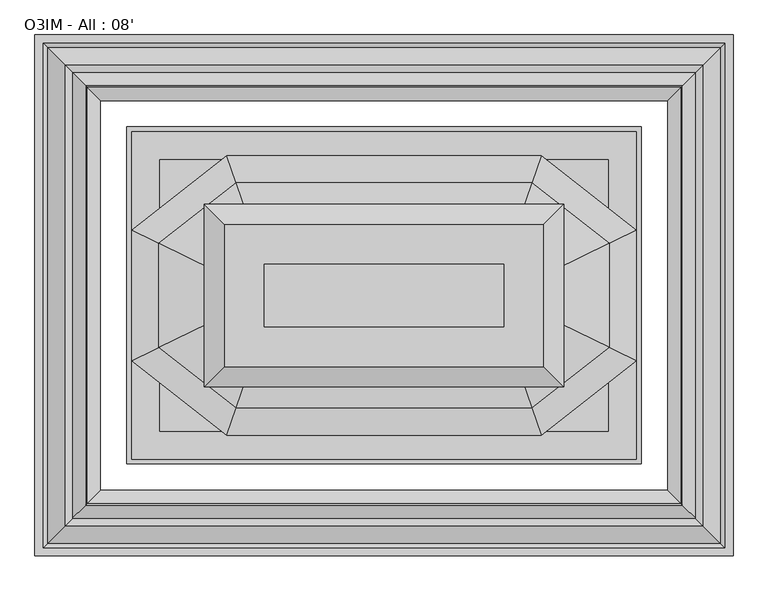
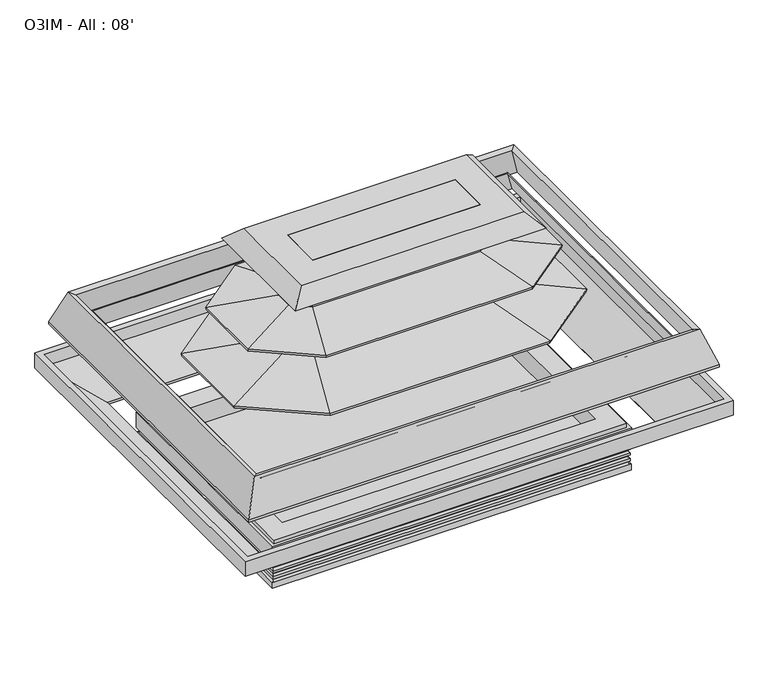
"""IFC4 building model written with IfcOpenShell, lengths in millimetres: proxy geometry, O3IM - All : 08'."""

from ifc_helpers import new_model, si_unit, point, frame, frame_2d, origin, origin_with_axes, place, context, project, spatial, polyline, circle_curve, ellipse_curve, trimmed, segment, composite_curve, outline, extrude, faceted_brep, source, transform, mapped, element, save
from ifc_brep_helpers import plane_surface, cylinder_surface, revolved_surface, advanced_brep


def o3im_all_08_cdb1ff95(model_context):
    return source(origin(), model_context, "Body", "SolidModel", [
        faceted_brep([(1875.484755, -1027.5894956, 788.1618652), (1781.9369938, -1299.2719211, 797.0848621), (897.3572661, -1299.2719211, 797.0848621), (803.8095049, -1027.5894956, 788.1618652), (1875.8644333, -1026.4868297, 794.4153945), (803.4298266, -1026.4868297, 794.4153945), (1918.9389963, -901.3892154, 772.3573098), (760.3552636, -901.3892154, 772.3573098), (1919.7458127, -899.0460503, 785.6460595), (759.5484472, -899.0460503, 785.6460595), (1781.9369938, -1299.2719211, 856.2166789), (897.3572661, -1299.2719211, 856.2166789), (536.7748406, -1236.2198407, 788.1618652), (808.4572661, -1368.7282133, 797.0848621), (808.4572661, -1459.9396289, 797.0848621), (536.7748406, -1592.4480016, 788.1618652), (535.6721746, -1235.6820346, 794.4153945), (535.6721746, -1592.9858077, 794.4153945), (410.5745603, -1174.6678513, 772.3573098), (410.5745603, -1653.9999909, 772.3573098), (408.2313952, -1173.5250133, 785.6460595), (408.2313952, -1655.1428289, 785.6460595), (808.4572661, -1368.7282133, 856.2166789), (808.4572661, -1459.9396289, 856.2166789), (803.8095049, -1801.0783466, 788.1618652), (897.3572661, -1529.3959211, 797.0848621), (1781.9369938, -1529.3959211, 797.0848621), (1875.484755, -1801.0783466, 788.1618652), (803.4298266, -1802.1810126, 794.4153945), (1875.8644333, -1802.1810126, 794.4153945), (760.3552636, -1927.2786269, 772.3573098), (1918.9389963, -1927.2786269, 772.3573098), (759.5484472, -1929.621792, 785.6460595), (1919.7458127, -1929.621792, 785.6460595), (897.3572661, -1529.3959211, 856.2166789), (1781.9369938, -1529.3959211, 856.2166789), (1870.8369938, -1459.9396289, 797.0848621), (2142.5194193, -1592.4480016, 788.1618652), (2143.6220853, -1592.9858077, 794.4153945), (2268.7196996, -1653.9999909, 772.3573098), (2271.0628647, -1655.1428289, 785.6460595), (1870.8369938, -1459.9396289, 856.2166789), (1870.8369938, -1368.7282133, 797.0848621), (2142.5194193, -1236.2198407, 788.1618652), (2143.6220853, -1235.6820346, 794.4153945), (2268.7196996, -1174.6678513, 772.3573098), (2271.0628647, -1173.5250133, 785.6460595), (1870.8369938, -1368.7282133, 856.2166789)], [[[0, 1, 2, 3]], [[4, 0, 3, 5]], [[6, 4, 5, 7]], [[8, 6, 7, 9]], [[10, 8, 9, 11]], [[1, 10, 11, 2]], [[12, 13, 14, 15]], [[16, 12, 15, 17]], [[18, 16, 17, 19]], [[20, 18, 19, 21]], [[22, 20, 21, 23]], [[13, 22, 23, 14]], [[24, 25, 26, 27]], [[28, 24, 27, 29]], [[30, 28, 29, 31]], [[32, 30, 31, 33]], [[34, 32, 33, 35]], [[25, 34, 35, 26]], [[3, 2, 13, 12]], [[5, 3, 12, 16]], [[7, 5, 16, 18]], [[9, 7, 18, 20]], [[11, 9, 20, 22]], [[2, 11, 22, 13]], [[15, 14, 25, 24]], [[17, 15, 24, 28]], [[19, 17, 28, 30]], [[21, 19, 30, 32]], [[23, 21, 32, 34]], [[14, 23, 34, 25]], [[27, 26, 36, 37]], [[29, 27, 37, 38]], [[31, 29, 38, 39]], [[33, 31, 39, 40]], [[35, 33, 40, 41]], [[26, 35, 41, 36]], [[37, 36, 42, 43]], [[38, 37, 43, 44]], [[39, 38, 44, 45]], [[40, 39, 45, 46]], [[41, 40, 46, 47]], [[36, 41, 47, 42]], [[43, 42, 1, 0]], [[44, 43, 0, 4]], [[45, 44, 4, 6]], [[46, 45, 6, 8]], [[47, 46, 8, 10]], [[42, 47, 10, 1]]]),
        extrude(outline(composite_curve([segment(trimmed(circle_curve(frame_2d((2028.03125, -1313.8632439)), 12.7), [point((2015.33125, -1313.8632439))], [point((2040.73125, -1313.8632439))], False, "CARTESIAN"), True, "CONTINUOUS"), segment(trimmed(circle_curve(frame_2d((2028.03125, -1313.8632439)), 12.7), [point((2040.73125, -1313.8632439))], [point((2015.33125, -1313.8632439))], False, "CARTESIAN"), True, "CONTINUOUS")], self_intersect=False)), origin_with_axes(), (0.0, 0.0, 1.0), 101.6),
        extrude(outline(composite_curve([segment(trimmed(circle_curve(frame_2d((2028.03125, -1369.8367134)), 9.525), [point((2018.50625, -1369.8367134))], [point((2037.55625, -1369.8367134))], False, "CARTESIAN"), True, "CONTINUOUS"), segment(trimmed(circle_curve(frame_2d((2028.03125, -1369.8367134)), 9.525), [point((2037.55625, -1369.8367134))], [point((2018.50625, -1369.8367134))], False, "CARTESIAN"), True, "CONTINUOUS")], self_intersect=False)), origin_with_axes(), (0.0, 0.0, 1.0), 101.6),
        extrude(outline(composite_curve([segment(trimmed(circle_curve(frame_2d((1339.85, -996.2223778)), 38.1), [point((1301.75, -996.2223778))], [point((1377.95, -996.2223778))], False, "CARTESIAN"), True, "CONTINUOUS"), segment(trimmed(circle_curve(frame_2d((1339.85, -996.2223778)), 38.1), [point((1377.95, -996.2223778))], [point((1301.75, -996.2223778))], False, "CARTESIAN"), True, "CONTINUOUS")], self_intersect=False)), origin_with_axes(), (0.0, 0.0, 1.0), 101.6),
        extrude(outline(composite_curve([segment(trimmed(circle_curve(frame_2d((1339.85, -1833.7510429)), 38.1), [point((1377.95, -1833.7510429))], [point((1301.75, -1833.7510429))], False, "CARTESIAN"), True, "CONTINUOUS"), segment(trimmed(circle_curve(frame_2d((1339.85, -1833.7510429)), 38.1), [point((1301.75, -1833.7510429))], [point((1377.95, -1833.7510429))], False, "CARTESIAN"), True, "CONTINUOUS")], self_intersect=False)), origin_with_axes(), (0.0, 0.0, 1.0), 101.6),
        extrude(outline(polyline([(920.5432283, -1535.8952268), (1053.8932283, -1535.8952268), (1053.8932283, -1605.7452268), (920.5432283, -1605.7452268), (920.5432283, -1535.8952268)])), frame((0.0, 0.0, 8.2791794), z_axis=(0.0, 0.0, 1.0), x_axis=(1.0, 0.0, 0.0)), (0.0, 0.0, 1.0), 6.35),
        advanced_brep(
        [(2262.0053221, -819.2036052, 146.05), (417.6946779, -819.2036052, 146.05), (417.6946779, -2009.4642494, 146.05), (2262.0053221, -2009.4642494, 146.05), (2262.0053221, -819.2036052, 14.6291794), (2262.0053221, -2009.4642494, 14.6291794), (417.6946779, -2009.4642494, 14.6291794), (417.6946779, -819.2036052, 14.6291794), (1289.05, -996.2223778, 14.6291794), (1390.65, -996.2223778, 14.6291794), (1289.05, -1833.7510429, 14.6291794), (1390.65, -1833.7510429, 14.6291794), (1977.23125, -1338.1832677, 14.6291794), (2078.83125, -1338.1832677, 14.6291794), (1289.05, -996.2223778, 101.6), (1390.65, -996.2223778, 101.6), (1289.05, -1833.7510429, 101.6), (1390.65, -1833.7510429, 101.6), (1977.23125, -1338.1832677, 101.6), (2078.83125, -1338.1832677, 101.6)],
        [
            (0, 1),
            (1, 2),
            (2, 3),
            (3, 0),
            (4, 5),
            (5, 6),
            (6, 7),
            (7, 4),
            (8, 9, circle_curve(frame((1339.85, -996.2223778, 14.6291794), z_axis=(0.0, 0.0, 1.0), x_axis=(1.0, 0.0, 0.0)), 50.8)),
            (9, 8, circle_curve(frame((1339.85, -996.2223778, 14.6291794), z_axis=(0.0, 0.0, 1.0), x_axis=(1.0, 0.0, 0.0)), 50.8)),
            (10, 11, circle_curve(frame((1339.85, -1833.7510429, 14.6291794), z_axis=(0.0, 0.0, 1.0), x_axis=(1.0, 0.0, 0.0)), 50.8)),
            (11, 10, circle_curve(frame((1339.85, -1833.7510429, 14.6291794), z_axis=(0.0, 0.0, 1.0), x_axis=(1.0, 0.0, 0.0)), 50.8)),
            (12, 13, circle_curve(frame((2028.03125, -1338.1832677, 14.6291794), z_axis=(0.0, 0.0, 1.0), x_axis=(1.0, 0.0, 0.0)), 50.8)),
            (13, 12, circle_curve(frame((2028.03125, -1338.1832677, 14.6291794), z_axis=(0.0, 0.0, 1.0), x_axis=(1.0, 0.0, 0.0)), 50.8)),
            (0, 4),
            (7, 1),
            (6, 2),
            (5, 3),
            (14, 15, circle_curve(frame((1339.85, -996.2223778, 101.6), z_axis=(0.0, 0.0, -1.0), x_axis=(1.0, 0.0, 0.0)), 50.8)),
            (15, 14, circle_curve(frame((1339.85, -996.2223778, 101.6), z_axis=(0.0, 0.0, -1.0), x_axis=(1.0, 0.0, 0.0)), 50.8)),
            (16, 17, circle_curve(frame((1339.85, -1833.7510429, 101.6), z_axis=(0.0, 0.0, -1.0), x_axis=(1.0, 0.0, 0.0)), 50.8)),
            (17, 16, circle_curve(frame((1339.85, -1833.7510429, 101.6), z_axis=(0.0, 0.0, -1.0), x_axis=(1.0, 0.0, 0.0)), 50.8)),
            (15, 9),
            (8, 14),
            (17, 11),
            (10, 16),
            (18, 19, circle_curve(frame((2028.03125, -1338.1832677, 101.6), z_axis=(0.0, 0.0, -1.0), x_axis=(1.0, 0.0, 0.0)), 50.8)),
            (19, 18, circle_curve(frame((2028.03125, -1338.1832677, 101.6), z_axis=(0.0, 0.0, -1.0), x_axis=(1.0, 0.0, 0.0)), 50.8)),
            (19, 13),
            (12, 18),
        ],
        [
            plane_surface(frame((417.6946779, -819.2036052, 146.05), z_axis=(0.0, 0.0, 1.0), x_axis=(-1.0, 0.0, 0.0))),
            plane_surface(frame((417.6946779, -819.2036052, 14.6291794), z_axis=(0.0, 0.0, -1.0), x_axis=(1.0, 0.0, 0.0))),
            plane_surface(frame((2262.0053221, -819.2036052, 146.05), z_axis=(0.0, 1.0, 0.0), x_axis=(0.0, 0.0, -1.0))),
            plane_surface(frame((417.6946779, -819.2036052, 146.05), z_axis=(-1.0, 0.0, 0.0), x_axis=(0.0, 0.0, -1.0))),
            plane_surface(frame((417.6946779, -2009.4642494, 146.05), z_axis=(0.0, -1.0, 0.0), x_axis=(0.0, 0.0, -1.0))),
            plane_surface(frame((2262.0053221, -2009.4642494, 146.05), z_axis=(1.0, 0.0, 0.0), x_axis=(0.0, 0.0, -1.0))),
            plane_surface(frame((1390.65, -996.2223778, 101.6), z_axis=(0.0, 0.0, -1.0), x_axis=(0.0, 1.0, 0.0))),
            revolved_surface(polyline([(1390.6499999999999, -996.2223778, 101.6), (1390.6499999999999, -996.2223778, 14.6291794)]), (1339.85, -996.2223778, 0.0), (0.0, 0.0, 1.0)),
            revolved_surface(polyline([(1390.6499999999999, -1833.7510429, 101.6), (1390.6499999999999, -1833.7510429, 14.6291794)]), (1339.85, -1833.7510429, 0.0), (0.0, 0.0, 1.0)),
            plane_surface(frame((2078.83125, -1338.1832677, 101.6), z_axis=(0.0, 0.0, -1.0), x_axis=(0.0, 1.0, 0.0))),
            revolved_surface(polyline([(2078.83125, -1338.1832677, 101.6), (2078.83125, -1338.1832677, 14.6291794)]), (2028.03125, -1338.1832677, 0.0), (0.0, 0.0, 1.0)),
        ],
        [
            (0, [[1, 2, 3, 4]]),
            (1, [[5, 6, 7, 8], [9, 10], [11, 12], [13, 14]]),
            (2, [[-1, 15, -8, 16]]),
            (3, [[-2, -16, -7, 17]]),
            (4, [[-3, -17, -6, 18]]),
            (5, [[-4, -18, -5, -15]]),
            (6, [[19, 20]]),
            (6, [[21, 22]]),
            (7, [[-20, 23, -9, 24]]),
            (7, [[-19, -24, -10, -23]]),
            (8, [[-22, 25, -11, 26]]),
            (8, [[-21, -26, -12, -25]]),
            (9, [[27, 28]]),
            (10, [[-28, 29, -13, 30]]),
            (10, [[-27, -30, -14, -29]]),
        ],
    ),
        advanced_brep(
        [(407.5864212, -2019.5725061, 52.2515752), (404.0973241, -2023.0616032, 41.0863151), (2275.6026759, -2023.0616032, 41.0863151), (2272.1135788, -2019.5725061, 52.2515752), (2282.7507741, -2030.2097014, 50.0937524), (396.9492259, -2030.2097014, 50.0937524), (394.9553259, -2032.2036014, 62.7937524), (394.9553259, -2032.2036014, 50.0937524), (2284.7446741, -2032.2036014, 50.0937524), (2284.7446741, -2032.2036014, 62.7937524), (2275.6026759, -2023.0616032, 72.0584982), (404.0973241, -2023.0616032, 72.0584982), (2272.1135788, -2019.5725061, 83.2237583), (407.5864212, -2019.5725061, 83.2237583), (2282.7507741, -2030.2097014, 81.0659355), (396.9492259, -2030.2097014, 81.0659355), (394.9553259, -2032.2036014, 93.7659355), (394.9553259, -2032.2036014, 81.0659355), (2284.7446741, -2032.2036014, 81.0659355), (2284.7446741, -2032.2036014, 93.7659355), (2275.6026759, -2023.0616032, 103.0306813), (404.0973241, -2023.0616032, 103.0306813), (2272.1135788, -2019.5725061, 114.0694894), (407.5864212, -2019.5725061, 114.0694894), (2282.7507741, -2030.2097014, 112.0383055), (396.9492259, -2030.2097014, 112.0383055), (394.9553259, -2032.2036014, 124.7383055), (394.9553259, -2032.2036014, 112.0383055), (2284.7446741, -2032.2036014, 112.0383055), (2284.7446741, -2032.2036014, 124.7383055), (2272.1135788, -2019.5725061, 137.4381186), (407.5864212, -2019.5725061, 137.4381186), (2272.1135788, -2019.5725061, 146.05), (407.5864212, -2019.5725061, 146.05), (417.6946779, -2009.4642494, 0.0), (417.6946779, -2009.4642494, 146.05), (2262.0053221, -2009.4642494, 146.05), (2262.0053221, -2009.4642494, 0.0), (392.0670212, -2035.0919061, 31.4790022), (392.0670212, -2035.0919061, 0.0), (2287.6329788, -2035.0919061, 0.0), (2287.6329788, -2035.0919061, 31.4790022), (2275.6026759, -805.6062514, 41.0863151), (2272.1135788, -809.0953485, 52.2515752), (2282.7507741, -798.4581532, 50.0937524), (2284.7446741, -796.4642532, 50.0937524), (2284.7446741, -796.4642532, 62.7937524), (2275.6026759, -805.6062514, 72.0584982), (2272.1135788, -809.0953485, 83.2237583), (2282.7507741, -798.4581532, 81.0659355), (2284.7446741, -796.4642532, 81.0659355), (2284.7446741, -796.4642532, 93.7659355), (2275.6026759, -805.6062514, 103.0306813), (2272.1135788, -809.0953485, 114.0694894), (2282.7507741, -798.4581532, 112.0383055), (2284.7446741, -796.4642532, 112.0383055), (2284.7446741, -796.4642532, 124.7383055), (2272.1135788, -809.0953485, 137.4381186), (2272.1135788, -809.0953485, 146.05), (2262.0053221, -819.2036052, 146.05), (2262.0053221, -819.2036052, 0.0), (2287.6329788, -793.5759485, 0.0), (2287.6329788, -793.5759485, 31.4790022), (404.0973241, -805.6062514, 41.0863151), (407.5864212, -809.0953485, 52.2515752), (396.9492259, -798.4581532, 50.0937524), (394.9553259, -796.4642532, 50.0937524), (394.9553259, -796.4642532, 62.7937524), (404.0973241, -805.6062514, 72.0584982), (407.5864212, -809.0953485, 83.2237583), (396.9492259, -798.4581532, 81.0659355), (394.9553259, -796.4642532, 81.0659355), (394.9553259, -796.4642532, 93.7659355), (404.0973241, -805.6062514, 103.0306813), (407.5864212, -809.0953485, 114.0694894), (396.9492259, -798.4581532, 112.0383055), (394.9553259, -796.4642532, 112.0383055), (394.9553259, -796.4642532, 124.7383055), (407.5864212, -809.0953485, 137.4381186), (407.5864212, -809.0953485, 146.05), (417.6946779, -819.2036052, 146.05), (417.6946779, -819.2036052, 0.0), (392.0670212, -793.5759485, 0.0), (392.0670212, -793.5759485, 31.4790022)],
        [
            (0, 1),
            (1, 2),
            (2, 3),
            (3, 0),
            (3, 4),
            (4, 5),
            (5, 0),
            (6, 7),
            (7, 8),
            (8, 9),
            (9, 6),
            (9, 10, ellipse_curve(frame((2287.9365131, -2035.3954404, 75.0861144), z_axis=(0.7071067811865475, 0.7071067811865475, 0.0), x_axis=(0.7071067811865476, -0.7071067811865474, 0.0)), 17.9605122, 12.7)),
            (10, 11),
            (11, 6, ellipse_curve(frame((391.7634869, -2035.3954404, 75.0861144), z_axis=(-0.7071067811865475, 0.7071067811865475, 0.0), x_axis=(0.7071067811865476, 0.7071067811865474, 0.0)), 17.9605122, 12.7)),
            (10, 12),
            (12, 13),
            (13, 11),
            (12, 14),
            (14, 15),
            (15, 13),
            (16, 17),
            (17, 18),
            (18, 19),
            (19, 16),
            (19, 20, ellipse_curve(frame((2287.9365131, -2035.3954404, 106.0582975), z_axis=(0.7071067811865475, 0.7071067811865475, 0.0), x_axis=(0.7071067811865476, -0.7071067811865474, 0.0)), 17.9605122, 12.7)),
            (20, 21),
            (21, 16, ellipse_curve(frame((391.7634869, -2035.3954404, 106.0582975), z_axis=(-0.7071067811865475, 0.7071067811865475, 0.0), x_axis=(0.7071067811865476, 0.7071067811865474, 0.0)), 17.9605122, 12.7)),
            (20, 22),
            (22, 23),
            (23, 21),
            (22, 24),
            (24, 25),
            (25, 23),
            (26, 27),
            (27, 28),
            (28, 29),
            (29, 26),
            (29, 30, ellipse_curve(frame((2284.8135788, -2032.2725061, 137.4381186), z_axis=(0.7071067811865475, 0.7071067811865475, 0.0), x_axis=(0.7071067811865476, -0.7071067811865474, 0.0)), 17.9605122, 12.7)),
            (30, 31),
            (31, 26, ellipse_curve(frame((394.8864212, -2032.2725061, 137.4381186), z_axis=(-0.7071067811865475, 0.7071067811865475, 0.0), x_axis=(0.7071067811865476, 0.7071067811865474, 0.0)), 17.9605122, 12.7)),
            (30, 32),
            (32, 33),
            (33, 31),
            (34, 35),
            (35, 36),
            (36, 37),
            (37, 34),
            (38, 39),
            (39, 40),
            (40, 41),
            (41, 38),
            (1, 38, ellipse_curve(frame((393.1207685, -2034.0381588, 42.4953422), z_axis=(-0.7071067811865475, 0.7071067811865475, 0.0), x_axis=(0.7071067811865476, 0.7071067811865474, 0.0)), 15.6505674, 11.0666223)),
            (41, 2, ellipse_curve(frame((2286.5792315, -2034.0381588, 42.4953422), z_axis=(0.7071067811865475, 0.7071067811865475, 0.0), x_axis=(0.7071067811865476, -0.7071067811865474, 0.0)), 15.6505674, 11.0666223)),
            (2, 42),
            (42, 43),
            (43, 3),
            (43, 44),
            (44, 4),
            (8, 45),
            (45, 46),
            (46, 9),
            (46, 47, ellipse_curve(frame((2287.9365131, -793.2724142, 75.0861144), z_axis=(-0.7071067811865475, 0.7071067811865475, 0.0), x_axis=(0.7071067811865474, 0.7071067811865476, 0.0)), 17.9605122, 12.7)),
            (47, 10),
            (47, 48),
            (48, 12),
            (48, 49),
            (49, 14),
            (18, 50),
            (50, 51),
            (51, 19),
            (51, 52, ellipse_curve(frame((2287.9365131, -793.2724142, 106.0582975), z_axis=(-0.7071067811865475, 0.7071067811865475, 0.0), x_axis=(0.7071067811865474, 0.7071067811865476, 0.0)), 17.9605122, 12.7)),
            (52, 20),
            (52, 53),
            (53, 22),
            (53, 54),
            (54, 24),
            (28, 55),
            (55, 56),
            (56, 29),
            (56, 57, ellipse_curve(frame((2284.8135788, -796.3953485, 137.4381186), z_axis=(-0.7071067811865475, 0.7071067811865475, 0.0), x_axis=(0.7071067811865474, 0.7071067811865476, 0.0)), 17.9605122, 12.7)),
            (57, 30),
            (57, 58),
            (58, 32),
            (36, 59),
            (59, 60),
            (60, 37),
            (40, 61),
            (61, 62),
            (62, 41),
            (62, 42, ellipse_curve(frame((2286.5792315, -794.6296958, 42.4953422), z_axis=(-0.7071067811865475, 0.7071067811865475, 0.0), x_axis=(0.7071067811865474, 0.7071067811865476, 0.0)), 15.6505674, 11.0666223)),
            (42, 63),
            (63, 64),
            (64, 43),
            (64, 65),
            (65, 44),
            (45, 66),
            (66, 67),
            (67, 46),
            (67, 68, ellipse_curve(frame((391.7634869, -793.2724142, 75.0861144), z_axis=(-0.7071067811865475, -0.7071067811865475, 0.0), x_axis=(-0.7071067811865476, 0.7071067811865474, 0.0)), 17.9605122, 12.7)),
            (68, 47),
            (68, 69),
            (69, 48),
            (69, 70),
            (70, 49),
            (50, 71),
            (71, 72),
            (72, 51),
            (72, 73, ellipse_curve(frame((391.7634869, -793.2724142, 106.0582975), z_axis=(-0.7071067811865475, -0.7071067811865475, 0.0), x_axis=(-0.7071067811865476, 0.7071067811865474, 0.0)), 17.9605122, 12.7)),
            (73, 52),
            (73, 74),
            (74, 53),
            (74, 75),
            (75, 54),
            (55, 76),
            (76, 77),
            (77, 56),
            (77, 78, ellipse_curve(frame((394.8864212, -796.3953485, 137.4381186), z_axis=(-0.7071067811865475, -0.7071067811865475, 0.0), x_axis=(-0.7071067811865476, 0.7071067811865474, 0.0)), 17.9605122, 12.7)),
            (78, 57),
            (78, 79),
            (79, 58),
            (59, 80),
            (80, 81),
            (81, 60),
            (61, 82),
            (82, 83),
            (83, 62),
            (83, 63, ellipse_curve(frame((393.1207685, -794.6296958, 42.4953422), z_axis=(-0.7071067811865475, -0.7071067811865475, 0.0), x_axis=(-0.7071067811865476, 0.7071067811865474, 0.0)), 15.6505674, 11.0666223)),
            (0, 64),
            (63, 1),
            (5, 65),
            (7, 66),
            (6, 67),
            (11, 68),
            (13, 69),
            (15, 70),
            (17, 71),
            (16, 72),
            (21, 73),
            (23, 74),
            (25, 75),
            (27, 76),
            (26, 77),
            (31, 78),
            (33, 79),
            (35, 80),
            (34, 81),
            (39, 82),
            (38, 83),
        ],
        [
            plane_surface(frame((404.0973241, -2023.0616032, 41.0863151), z_axis=(0.0, -0.9544811145040373, 0.2982713564107874), x_axis=(1.0, 0.0, 0.0))),
            plane_surface(frame((407.5864212, -2019.5725061, 52.2515752), z_axis=(0.0, 0.19880707887698196, -0.9800386448443763), x_axis=(1.0, 0.0, 0.0))),
            plane_surface(frame((394.9553259, -2032.2036014, 50.0937524), z_axis=(0.0, -1.0, 0.0), x_axis=(1.0, 0.0, 0.0))),
            revolved_surface(polyline([(2300.636513070204, -2022.6954404, 75.0861144), (379.0634869297963, -2022.6954404, 75.0861144)]), (0.0, -2035.3954404, 75.0861144), (1.0, 0.0, 0.0)),
            plane_surface(frame((404.0973241, -2023.0616032, 72.0584982), z_axis=(0.0, -0.9544811145041052, 0.2982713564105698), x_axis=(1.0, 0.0, 0.0))),
            plane_surface(frame((407.5864212, -2019.5725061, 83.2237583), z_axis=(0.0, 0.1988070788769928, -0.9800386448443741), x_axis=(1.0, 0.0, 0.0))),
            plane_surface(frame((394.9553259, -2032.2036014, 81.0659355), z_axis=(0.0, -1.0, 0.0), x_axis=(1.0, 0.0, 0.0))),
            revolved_surface(polyline([(2300.636513070204, -2022.6954404, 106.0582975), (379.0634869297963, -2022.6954404, 106.0582975)]), (0.0, -2035.3954404, 106.0582975), (1.0, 0.0, 0.0)),
            plane_surface(frame((404.0973241, -2023.0616032, 103.0306813), z_axis=(0.0, -0.9535043111328932, 0.30137937661855163), x_axis=(1.0, 0.0, 0.0))),
            plane_surface(frame((407.5864212, -2019.5725061, 114.0694894), z_axis=(0.0, 0.1875622155180167, -0.9822527247658686), x_axis=(1.0, 0.0, 0.0))),
            plane_surface(frame((394.9553259, -2032.2036014, 112.0383055), z_axis=(0.0, -1.0, 0.0), x_axis=(1.0, 0.0, 0.0))),
            revolved_surface(polyline([(2297.513578770204, -2019.5725061, 137.4381186), (382.1864212297963, -2019.5725061, 137.4381186)]), (0.0, -2032.2725061, 137.4381186), (1.0, 0.0, 0.0)),
            plane_surface(frame((407.5864212, -2019.5725061, 137.4381186), z_axis=(0.0, -1.0, 0.0), x_axis=(1.0, 0.0, 0.0))),
            plane_surface(frame((417.6946779, -2009.4642494, 146.05), z_axis=(0.0, 1.0, 0.0), x_axis=(1.0, 0.0, 0.0))),
            plane_surface(frame((392.0670212, -2035.0919061, 0.0), z_axis=(0.0, -1.0, 0.0), x_axis=(1.0, 0.0, 0.0))),
            revolved_surface(polyline([(2297.645853837957, -2022.9715365, 42.4953422), (382.05414616204285, -2022.9715365, 42.4953422)]), (0.0, -2034.0381588, 42.4953422), (1.0, 0.0, 0.0)),
            plane_surface(frame((2275.6026759, -2023.0616032, 41.0863151), z_axis=(0.9544811145040373, 0.0, 0.2982713564107874), x_axis=(0.0, 1.0, 0.0))),
            plane_surface(frame((2272.1135788, -2019.5725061, 52.2515752), z_axis=(-0.19880707887698196, 0.0, -0.9800386448443763), x_axis=(0.0, 1.0, 0.0))),
            plane_surface(frame((2284.7446741, -2032.2036014, 50.0937524), z_axis=(1.0, 0.0, 0.0), x_axis=(0.0, 1.0, 0.0))),
            revolved_surface(polyline([(2275.2365131, -780.5724142297963, 75.0861144), (2275.2365131, -2048.095440370204, 75.0861144)]), (2287.9365131, -2427.1589273, 75.0861144), (0.0, 1.0, 0.0)),
            plane_surface(frame((2275.6026759, -2023.0616032, 72.0584982), z_axis=(0.9544811145041052, 0.0, 0.2982713564105698), x_axis=(0.0, 1.0, 0.0))),
            plane_surface(frame((2272.1135788, -2019.5725061, 83.2237583), z_axis=(-0.1988070788769928, 0.0, -0.9800386448443741), x_axis=(0.0, 1.0, 0.0))),
            plane_surface(frame((2284.7446741, -2032.2036014, 81.0659355), z_axis=(1.0, 0.0, 0.0), x_axis=(0.0, 1.0, 0.0))),
            revolved_surface(polyline([(2275.2365131, -780.5724142297963, 106.0582975), (2275.2365131, -2048.095440370204, 106.0582975)]), (2287.9365131, -2427.1589273, 106.0582975), (0.0, 1.0, 0.0)),
            plane_surface(frame((2275.6026759, -2023.0616032, 103.0306813), z_axis=(0.9535043111328932, 0.0, 0.30137937661855163), x_axis=(0.0, 1.0, 0.0))),
            plane_surface(frame((2272.1135788, -2019.5725061, 114.0694894), z_axis=(-0.1875622155180167, 0.0, -0.9822527247658686), x_axis=(0.0, 1.0, 0.0))),
            plane_surface(frame((2284.7446741, -2032.2036014, 112.0383055), z_axis=(1.0, 0.0, 0.0), x_axis=(0.0, 1.0, 0.0))),
            revolved_surface(polyline([(2272.1135788, -783.6953485297963, 137.4381186), (2272.1135788, -2044.9725060702037, 137.4381186)]), (2284.8135788, -2427.1589273, 137.4381186), (0.0, 1.0, 0.0)),
            plane_surface(frame((2272.1135788, -2019.5725061, 137.4381186), z_axis=(1.0, 0.0, 0.0), x_axis=(0.0, 1.0, 0.0))),
            plane_surface(frame((2262.0053221, -2009.4642494, 146.05), z_axis=(-1.0, 0.0, 0.0), x_axis=(0.0, 1.0, 0.0))),
            plane_surface(frame((2287.6329788, -2035.0919061, 0.0), z_axis=(1.0, 0.0, 0.0), x_axis=(0.0, 1.0, 0.0))),
            revolved_surface(polyline([(2275.5126092, -783.5630734620429, 42.4953422), (2275.5126092, -2045.1047811379572, 42.4953422)]), (2286.5792315, -2427.1589273, 42.4953422), (0.0, 1.0, 0.0)),
            plane_surface(frame((2275.6026759, -805.6062514, 41.0863151), z_axis=(0.0, 0.9544811145040373, 0.2982713564107874), x_axis=(-1.0, 0.0, 0.0))),
            plane_surface(frame((2272.1135788, -809.0953485, 52.2515752), z_axis=(0.0, -0.19880707887698196, -0.9800386448443763), x_axis=(-1.0, 0.0, 0.0))),
            plane_surface(frame((2284.7446741, -796.4642532, 50.0937524), z_axis=(0.0, 1.0, 0.0), x_axis=(-1.0, 0.0, 0.0))),
            revolved_surface(polyline([(379.063486929796, -805.9724142, 75.0861144), (2300.636513070204, -805.9724142, 75.0861144)]), (2679.7, -793.2724142, 75.0861144), (-1.0, 0.0, 0.0)),
            plane_surface(frame((2275.6026759, -805.6062514, 72.0584982), z_axis=(0.0, 0.9544811145041052, 0.2982713564105698), x_axis=(-1.0, 0.0, 0.0))),
            plane_surface(frame((2272.1135788, -809.0953485, 83.2237583), z_axis=(0.0, -0.1988070788769928, -0.9800386448443741), x_axis=(-1.0, 0.0, 0.0))),
            plane_surface(frame((2284.7446741, -796.4642532, 81.0659355), z_axis=(0.0, 1.0, 0.0), x_axis=(-1.0, 0.0, 0.0))),
            revolved_surface(polyline([(379.063486929796, -805.9724142, 106.0582975), (2300.636513070204, -805.9724142, 106.0582975)]), (2679.7, -793.2724142, 106.0582975), (-1.0, 0.0, 0.0)),
            plane_surface(frame((2275.6026759, -805.6062514, 103.0306813), z_axis=(0.0, 0.9535043111328932, 0.30137937661855163), x_axis=(-1.0, 0.0, 0.0))),
            plane_surface(frame((2272.1135788, -809.0953485, 114.0694894), z_axis=(0.0, -0.1875622155180167, -0.9822527247658686), x_axis=(-1.0, 0.0, 0.0))),
            plane_surface(frame((2284.7446741, -796.4642532, 112.0383055), z_axis=(0.0, 1.0, 0.0), x_axis=(-1.0, 0.0, 0.0))),
            revolved_surface(polyline([(382.186421229796, -809.0953485, 137.4381186), (2297.513578770204, -809.0953485, 137.4381186)]), (2679.7, -796.3953485, 137.4381186), (-1.0, 0.0, 0.0)),
            plane_surface(frame((2272.1135788, -809.0953485, 137.4381186), z_axis=(0.0, 1.0, 0.0), x_axis=(-1.0, 0.0, 0.0))),
            plane_surface(frame((2262.0053221, -819.2036052, 146.05), z_axis=(0.0, -1.0, 0.0), x_axis=(-1.0, 0.0, 0.0))),
            plane_surface(frame((2287.6329788, -793.5759485, 0.0), z_axis=(0.0, 1.0, 0.0), x_axis=(-1.0, 0.0, 0.0))),
            revolved_surface(polyline([(382.0541461620428, -805.6963181, 42.4953422), (2297.645853837957, -805.6963181, 42.4953422)]), (2679.7, -794.6296958, 42.4953422), (-1.0, 0.0, 0.0)),
            plane_surface(frame((404.0973241, -805.6062514, 41.0863151), z_axis=(-0.9544811145040373, 0.0, 0.2982713564107874), x_axis=(0.0, -1.0, 0.0))),
            plane_surface(frame((407.5864212, -809.0953485, 52.2515752), z_axis=(0.19880707887698196, 0.0, -0.9800386448443763), x_axis=(0.0, -1.0, 0.0))),
            plane_surface(frame((396.9492259, -798.4581532, 50.0937524), z_axis=(0.0, 0.0, -1.0), x_axis=(0.0, -1.0, 0.0))),
            plane_surface(frame((394.9553259, -796.4642532, 50.0937524), z_axis=(-1.0, 0.0, 0.0), x_axis=(0.0, -1.0, 0.0))),
            revolved_surface(polyline([(404.46348689999996, -2048.095440370204, 75.0861144), (404.46348689999996, -780.5724142297963, 75.0861144)]), (391.7634869, -401.5089273, 75.0861144), (0.0, -1.0, 0.0)),
            plane_surface(frame((404.0973241, -805.6062514, 72.0584982), z_axis=(-0.9544811145041052, 0.0, 0.2982713564105698), x_axis=(0.0, -1.0, 0.0))),
            plane_surface(frame((407.5864212, -809.0953485, 83.2237583), z_axis=(0.1988070788769928, 0.0, -0.9800386448443741), x_axis=(0.0, -1.0, 0.0))),
            plane_surface(frame((396.9492259, -798.4581532, 81.0659355), z_axis=(0.0, 0.0, -1.0), x_axis=(0.0, -1.0, 0.0))),
            plane_surface(frame((394.9553259, -796.4642532, 81.0659355), z_axis=(-1.0, 0.0, 0.0), x_axis=(0.0, -1.0, 0.0))),
            revolved_surface(polyline([(404.46348689999996, -2048.095440370204, 106.0582975), (404.46348689999996, -780.5724142297963, 106.0582975)]), (391.7634869, -401.5089273, 106.0582975), (0.0, -1.0, 0.0)),
            plane_surface(frame((404.0973241, -805.6062514, 103.0306813), z_axis=(-0.9535043111328932, 0.0, 0.30137937661855163), x_axis=(0.0, -1.0, 0.0))),
            plane_surface(frame((407.5864212, -809.0953485, 114.0694894), z_axis=(0.1875622155180167, 0.0, -0.9822527247658686), x_axis=(0.0, -1.0, 0.0))),
            plane_surface(frame((396.9492259, -798.4581532, 112.0383055), z_axis=(0.0, 0.0, -1.0), x_axis=(0.0, -1.0, 0.0))),
            plane_surface(frame((394.9553259, -796.4642532, 112.0383055), z_axis=(-1.0, 0.0, 0.0), x_axis=(0.0, -1.0, 0.0))),
            revolved_surface(polyline([(407.58642119999996, -2044.972506070204, 137.4381186), (407.58642119999996, -783.6953485297963, 137.4381186)]), (394.8864212, -401.5089273, 137.4381186), (0.0, -1.0, 0.0)),
            plane_surface(frame((407.5864212, -809.0953485, 137.4381186), z_axis=(-1.0, 0.0, 0.0), x_axis=(0.0, -1.0, 0.0))),
            plane_surface(frame((407.5864212, -809.0953485, 146.05), z_axis=(0.0, 0.0, 1.0), x_axis=(0.0, -1.0, 0.0))),
            plane_surface(frame((417.6946779, -819.2036052, 146.05), z_axis=(1.0, 0.0, 0.0), x_axis=(0.0, -1.0, 0.0))),
            plane_surface(frame((417.6946779, -819.2036052, 0.0), z_axis=(0.0, 0.0, -1.0), x_axis=(0.0, -1.0, 0.0))),
            plane_surface(frame((392.0670212, -793.5759485, 0.0), z_axis=(-1.0, 0.0, 0.0), x_axis=(0.0, -1.0, 0.0))),
            revolved_surface(polyline([(404.1873908, -2045.1047811379572, 42.4953422), (404.1873908, -783.5630734620429, 42.4953422)]), (393.1207685, -401.5089273, 42.4953422), (0.0, -1.0, 0.0)),
        ],
        [
            (0, [[1, 2, 3, 4]]),
            (1, [[-4, 5, 6, 7]]),
            (2, [[8, 9, 10, 11]]),
            (3, [[-11, 12, 13, 14]]),
            (4, [[-13, 15, 16, 17]]),
            (5, [[-16, 18, 19, 20]]),
            (6, [[21, 22, 23, 24]]),
            (7, [[-24, 25, 26, 27]]),
            (8, [[-26, 28, 29, 30]]),
            (9, [[-29, 31, 32, 33]]),
            (10, [[34, 35, 36, 37]]),
            (11, [[-37, 38, 39, 40]]),
            (12, [[-39, 41, 42, 43]]),
            (13, [[44, 45, 46, 47]]),
            (14, [[48, 49, 50, 51]]),
            (15, [[-2, 52, -51, 53]]),
            (16, [[-3, 54, 55, 56]]),
            (17, [[-5, -56, 57, 58]]),
            (18, [[-10, 59, 60, 61]]),
            (19, [[-12, -61, 62, 63]]),
            (20, [[-15, -63, 64, 65]]),
            (21, [[-18, -65, 66, 67]]),
            (22, [[-23, 68, 69, 70]]),
            (23, [[-25, -70, 71, 72]]),
            (24, [[-28, -72, 73, 74]]),
            (25, [[-31, -74, 75, 76]]),
            (26, [[-36, 77, 78, 79]]),
            (27, [[-38, -79, 80, 81]]),
            (28, [[-41, -81, 82, 83]]),
            (29, [[-46, 84, 85, 86]]),
            (30, [[-50, 87, 88, 89]]),
            (31, [[-53, -89, 90, -54]]),
            (32, [[-55, 91, 92, 93]]),
            (33, [[-57, -93, 94, 95]]),
            (34, [[-60, 96, 97, 98]]),
            (35, [[-62, -98, 99, 100]]),
            (36, [[-64, -100, 101, 102]]),
            (37, [[-66, -102, 103, 104]]),
            (38, [[-69, 105, 106, 107]]),
            (39, [[-71, -107, 108, 109]]),
            (40, [[-73, -109, 110, 111]]),
            (41, [[-75, -111, 112, 113]]),
            (42, [[-78, 114, 115, 116]]),
            (43, [[-80, -116, 117, 118]]),
            (44, [[-82, -118, 119, 120]]),
            (45, [[-85, 121, 122, 123]]),
            (46, [[-88, 124, 125, 126]]),
            (47, [[-90, -126, 127, -91]]),
            (48, [[-1, 128, -92, 129]]),
            (49, [[-7, 130, -94, -128]]),
            (50, [[-9, 131, -96, -59], [-6, -58, -95, -130]]),
            (51, [[-8, 132, -97, -131]]),
            (52, [[-14, 133, -99, -132]]),
            (53, [[-17, 134, -101, -133]]),
            (54, [[-20, 135, -103, -134]]),
            (55, [[-22, 136, -105, -68], [-19, -67, -104, -135]]),
            (56, [[-21, 137, -106, -136]]),
            (57, [[-27, 138, -108, -137]]),
            (58, [[-30, 139, -110, -138]]),
            (59, [[-33, 140, -112, -139]]),
            (60, [[-35, 141, -114, -77], [-32, -76, -113, -140]]),
            (61, [[-34, 142, -115, -141]]),
            (62, [[-40, 143, -117, -142]]),
            (63, [[-43, 144, -119, -143]]),
            (64, [[-42, -83, -120, -144], [-45, 145, -121, -84]]),
            (65, [[-44, 146, -122, -145]]),
            (66, [[-49, 147, -124, -87], [-47, -86, -123, -146]]),
            (67, [[-48, 148, -125, -147]]),
            (68, [[-52, -129, -127, -148]]),
        ],
    ),
        faceted_brep([(188.6710999, -2238.4878274, 835.9605394), (121.4116342, -2305.7472931, 651.1666761), (121.4116342, -522.9205615, 651.1666761), (188.6710999, -590.1800272, 835.9605394), (163.3111453, -2263.847782, 845.190808), (163.3111453, -564.8200726, 845.190808), (97.5838499, -2329.5750774, 664.6065482), (97.5838499, -499.0927772, 664.6065482), (97.5838499, -2329.5750774, 651.1666761), (97.5838499, -499.0927772, 651.1666761), (2558.2883658, -522.9205615, 651.1666761), (2491.0289001, -590.1800272, 835.9605394), (2516.3888547, -564.8200726, 845.190808), (2582.1161501, -499.0927772, 664.6065482), (2582.1161501, -499.0927772, 651.1666761), (2558.2883658, -2305.7472931, 651.1666761), (2491.0289001, -2238.4878274, 835.9605394), (2516.3888547, -2263.847782, 845.190808), (2582.1161501, -2329.5750774, 664.6065482), (2582.1161501, -2329.5750774, 651.1666761)], [[[0, 1, 2, 3]], [[4, 0, 3, 5]], [[6, 4, 5, 7]], [[8, 6, 7, 9]], [[3, 2, 10, 11]], [[5, 3, 11, 12]], [[7, 5, 12, 13]], [[9, 7, 13, 14]], [[11, 10, 15, 16]], [[12, 11, 16, 17]], [[13, 12, 17, 18]], [[14, 13, 18, 19]], [[16, 15, 1, 0]], [[17, 16, 0, 4]], [[18, 17, 4, 6]], [[19, 18, 6, 8]], [[9, 14, 19, 8], [1, 15, 10, 2]]]),
        advanced_brep(
        [(182.292374, -2244.8665533, 622.6991544), (238.6565792, -2188.5023481, 761.7268557), (238.6565792, -640.1655065, 761.7268557), (182.292374, -583.8013013, 622.6991544), (186.7059518, -2240.4529755, 620.9098146), (186.7059518, -2240.4529755, 622.6991544), (186.7059518, -588.2148791, 622.6991544), (186.7059518, -588.2148791, 620.9098146), (243.070157, -2184.0887703, 759.9375159), (243.070157, -644.5790843, 759.9375159), (2441.0434208, -640.1655065, 761.7268557), (2497.407626, -583.8013013, 622.6991544), (2492.9940482, -588.2148791, 622.6991544), (2492.9940482, -588.2148791, 620.9098146), (2436.629843, -644.5790843, 759.9375159), (2441.0434208, -2188.5023481, 761.7268557), (2497.407626, -2244.8665533, 622.6991544), (2492.9940482, -2240.4529755, 622.6991544), (2492.9940482, -2240.4529755, 620.9098146), (2436.629843, -2184.0887703, 759.9375159)],
        [
            (0, 1),
            (1, 2),
            (2, 3),
            (3, 0),
            (4, 5),
            (5, 6),
            (6, 7),
            (7, 4),
            (8, 4),
            (7, 9),
            (9, 8),
            (1, 8, ellipse_curve(frame((240.8633681, -2186.2955592, 760.8321858), z_axis=(-0.7071067811865475, 0.7071067811865475, 0.0), x_axis=(-0.7071067811865474, -0.7071067811865476, 0.0)), 3.367596, 2.38125)),
            (9, 2, ellipse_curve(frame((240.8633681, -642.3722954, 760.8321858), z_axis=(-0.7071067811865475, -0.7071067811865475, 0.0), x_axis=(0.7071067811865474, -0.7071067811865476, 0.0)), 3.367596, 2.38125)),
            (2, 10),
            (10, 11),
            (11, 3),
            (6, 12),
            (12, 13),
            (13, 7),
            (13, 14),
            (14, 9),
            (14, 10, ellipse_curve(frame((2438.8366319, -642.3722954, 760.8321858), z_axis=(-0.7071067811865475, 0.7071067811865475, 0.0), x_axis=(-0.7071067811865476, -0.7071067811865474, 0.0)), 3.367596, 2.38125)),
            (10, 15),
            (15, 16),
            (16, 11),
            (12, 17),
            (17, 18),
            (18, 13),
            (18, 19),
            (19, 14),
            (19, 15, ellipse_curve(frame((2438.8366319, -2186.2955592, 760.8321858), z_axis=(0.7071067811865475, 0.7071067811865475, 0.0), x_axis=(-0.7071067811865474, 0.7071067811865476, 0.0)), 3.367596, 2.38125)),
            (15, 1),
            (0, 16),
            (5, 17),
            (4, 18),
            (8, 19),
        ],
        [
            plane_surface(frame((238.6565792, -2188.5023481, 761.7268557), z_axis=(-0.9267354998635696, 0.0, 0.37571440389293004), x_axis=(0.0, 1.0, 0.0))),
            plane_surface(frame((186.7059518, -2240.4529755, 622.6991544), z_axis=(-1.0, 0.0, 0.0), x_axis=(0.0, 1.0, 0.0))),
            plane_surface(frame((186.7059518, -2240.4529755, 620.9098146), z_axis=(0.926735499863471, 0.0, -0.37571440389317323), x_axis=(0.0, 1.0, 0.0))),
            cylinder_surface(frame((240.8633681, -2374.82165, 760.8321858), z_axis=(0.0, -1.0, 0.0), x_axis=(-1.0, 0.0, 0.0)), 2.38125),
            plane_surface(frame((238.6565792, -640.1655065, 761.7268557), z_axis=(0.0, 0.9267354998635696, 0.37571440389293004), x_axis=(1.0, 0.0, 0.0))),
            plane_surface(frame((186.7059518, -588.2148791, 622.6991544), z_axis=(0.0, 1.0, 0.0), x_axis=(1.0, 0.0, 0.0))),
            plane_surface(frame((186.7059518, -588.2148791, 620.9098146), z_axis=(0.0, -0.926735499863471, -0.37571440389317323), x_axis=(1.0, 0.0, 0.0))),
            cylinder_surface(frame((52.3372773, -642.3722954, 760.8321858), z_axis=(-1.0, 0.0, 0.0), x_axis=(0.0, 1.0, 0.0)), 2.38125),
            plane_surface(frame((2441.0434208, -640.1655065, 761.7268557), z_axis=(0.9267354998635696, 0.0, 0.37571440389293004), x_axis=(0.0, -1.0, 0.0))),
            plane_surface(frame((2492.9940482, -588.2148791, 622.6991544), z_axis=(1.0, 0.0, 0.0), x_axis=(0.0, -1.0, 0.0))),
            plane_surface(frame((2492.9940482, -588.2148791, 620.9098146), z_axis=(-0.926735499863471, 0.0, -0.37571440389317323), x_axis=(0.0, -1.0, 0.0))),
            cylinder_surface(frame((2438.8366319, -453.8462046, 760.8321858), z_axis=(0.0, 1.0, 0.0), x_axis=(1.0, 0.0, 0.0)), 2.38125),
            plane_surface(frame((2441.0434208, -2188.5023481, 761.7268557), z_axis=(0.0, -0.9267354998635696, 0.37571440389293004), x_axis=(-1.0, 0.0, 0.0))),
            plane_surface(frame((2497.407626, -2244.8665533, 622.6991544), z_axis=(0.0, 0.0, -1.0), x_axis=(-1.0, 0.0, 0.0))),
            plane_surface(frame((2492.9940482, -2240.4529755, 622.6991544), z_axis=(0.0, -1.0, 0.0), x_axis=(-1.0, 0.0, 0.0))),
            plane_surface(frame((2492.9940482, -2240.4529755, 620.9098146), z_axis=(0.0, 0.926735499863471, -0.37571440389317323), x_axis=(-1.0, 0.0, 0.0))),
            cylinder_surface(frame((2627.3627227, -2186.2955592, 760.8321858), z_axis=(1.0, 0.0, 0.0), x_axis=(0.0, -1.0, 0.0)), 2.38125),
        ],
        [
            (0, [[1, 2, 3, 4]]),
            (1, [[5, 6, 7, 8]]),
            (2, [[9, -8, 10, 11]]),
            (3, [[12, -11, 13, -2]]),
            (4, [[-3, 14, 15, 16]]),
            (5, [[-7, 17, 18, 19]]),
            (6, [[-10, -19, 20, 21]]),
            (7, [[-13, -21, 22, -14]]),
            (8, [[-15, 23, 24, 25]]),
            (9, [[-18, 26, 27, 28]]),
            (10, [[-20, -28, 29, 30]]),
            (11, [[-22, -30, 31, -23]]),
            (12, [[-24, 32, -1, 33]]),
            (13, [[-16, -25, -33, -4], [34, -26, -17, -6]]),
            (14, [[-27, -34, -5, 35]]),
            (15, [[-29, -35, -9, 36]]),
            (16, [[-31, -36, -12, -32]]),
        ],
    ),
        extrude(outline(polyline([(1781.9369938, -1299.2719335), (1781.9369938, -1529.3959211), (897.7630062, -1529.3959211), (897.7630062, -1299.2719335), (1781.9369938, -1299.2719335)])), frame((0.0, 0.0, 1248.2092054), z_axis=(0.0, 0.0, 1.0), x_axis=(1.0, 0.0, 0.0)), (0.0, 0.0, 1.0), 103.3925234),
        extrude(outline(polyline([(1781.9369938, -1299.2719211), (1870.8369938, -1368.7282133), (1870.8369938, -1459.9396289), (1781.9369938, -1529.3959211), (897.7630062, -1529.3959211), (808.8630062, -1459.9396289), (808.8630062, -1368.7282133), (897.7630062, -1299.2719211), (1781.9369938, -1299.2719211)])), frame((0.0, 0.0, 583.240307), z_axis=(0.0, 0.0, 1.0), x_axis=(1.0, 0.0, 0.0)), (0.0, 0.0, 1.0), 664.9688983),
        faceted_brep([(1840.8633413, -1128.1373819, 1046.6677213), (1840.1039846, -1130.3427138, 1034.1606629), (839.1902753, -1130.3427138, 1034.1606629), (838.4309186, -1128.1373819, 1046.6677213), (1884.4867915, -1001.4456831, 1024.3285566), (794.8074684, -1001.4456831, 1024.3285566), (1885.293608, -999.102518, 1037.6173062), (794.0006519, -999.102518, 1037.6173062), (1781.9369938, -1299.2719211, 1090.5452708), (897.3572661, -1299.2719211, 1090.5452708), (1781.9369938, -1299.2719211, 1031.8712082), (897.3572661, -1299.2719211, 1031.8712082), (637.3227269, -1285.2603215, 1046.6677213), (639.5280587, -1286.3359337, 1034.1606629), (639.5280587, -1542.3319085, 1034.1606629), (637.3227269, -1543.4075207, 1046.6677213), (510.631028, -1223.4686513, 1024.3285566), (510.631028, -1605.1991909, 1024.3285566), (508.2878629, -1222.3258133, 1037.6173062), (508.2878629, -1606.3420289, 1037.6173062), (808.4572661, -1368.7282133, 1090.5452708), (808.4572661, -1459.9396289, 1090.5452708), (808.4572661, -1368.7282133, 1031.8712082), (808.4572661, -1459.9396289, 1031.8712082), (838.4309186, -1700.5304603, 1046.6677213), (839.1902753, -1698.3251285, 1034.1606629), (1840.1039846, -1698.3251285, 1034.1606629), (1840.8633413, -1700.5304603, 1046.6677213), (794.8074684, -1827.2221592, 1024.3285566), (1884.4867915, -1827.2221592, 1024.3285566), (794.0006519, -1829.5653242, 1037.6173062), (1885.293608, -1829.5653242, 1037.6173062), (897.3572661, -1529.3959211, 1090.5452708), (1781.9369938, -1529.3959211, 1090.5452708), (897.3572661, -1529.3959211, 1031.8712082), (1781.9369938, -1529.3959211, 1031.8712082), (2039.7662012, -1542.3319085, 1034.1606629), (2041.971533, -1543.4075207, 1046.6677213), (2168.6632319, -1605.1991909, 1024.3285566), (2171.0063969, -1606.3420289, 1037.6173062), (1870.8369938, -1459.9396289, 1090.5452708), (1870.8369938, -1459.9396289, 1031.8712082), (2039.7662012, -1286.3359337, 1034.1606629), (2041.971533, -1285.2603215, 1046.6677213), (2168.6632319, -1223.4686513, 1024.3285566), (2171.0063969, -1222.3258133, 1037.6173062), (1870.8369938, -1368.7282133, 1090.5452708), (1870.8369938, -1368.7282133, 1031.8712082)], [[[0, 1, 2, 3]], [[4, 0, 3, 5]], [[6, 4, 5, 7]], [[8, 6, 7, 9]], [[10, 8, 9, 11]], [[1, 10, 11, 2]], [[12, 13, 14, 15]], [[16, 12, 15, 17]], [[18, 16, 17, 19]], [[20, 18, 19, 21]], [[22, 20, 21, 23]], [[13, 22, 23, 14]], [[24, 25, 26, 27]], [[28, 24, 27, 29]], [[30, 28, 29, 31]], [[32, 30, 31, 33]], [[34, 32, 33, 35]], [[25, 34, 35, 26]], [[3, 2, 13, 12]], [[5, 3, 12, 16]], [[7, 5, 16, 18]], [[9, 7, 18, 20]], [[11, 9, 20, 22]], [[2, 11, 22, 13]], [[15, 14, 25, 24]], [[17, 15, 24, 28]], [[19, 17, 28, 30]], [[21, 19, 30, 32]], [[23, 21, 32, 34]], [[14, 23, 34, 25]], [[27, 26, 36, 37]], [[29, 27, 37, 38]], [[31, 29, 38, 39]], [[33, 31, 39, 40]], [[35, 33, 40, 41]], [[26, 35, 41, 36]], [[37, 36, 42, 43]], [[38, 37, 43, 44]], [[39, 38, 44, 45]], [[40, 39, 45, 46]], [[41, 40, 46, 47]], [[36, 41, 47, 42]], [[43, 42, 1, 0]], [[44, 43, 0, 4]], [[45, 44, 4, 6]], [[46, 45, 6, 8]], [[47, 46, 8, 10]], [[42, 47, 10, 1]]]),
        faceted_brep([(82.0232044, -2345.1357229, 475.7067395), (82.0232044, -2345.1357229, 409.2323256), (82.0232044, -483.5321317, 409.2323256), (82.0232044, -483.5321317, 475.7067395), (51.0667123, -2376.092215, 393.2587782), (51.0667123, -2376.092215, 475.7067395), (51.0667123, -452.5756396, 475.7067395), (51.0667123, -452.5756396, 393.2587782), (2597.6767956, -483.5321317, 409.2323256), (2597.6767956, -483.5321317, 475.7067395), (2628.6332877, -452.5756396, 475.7067395), (2628.6332877, -452.5756396, 393.2587782), (2597.6767956, -2345.1357229, 409.2323256), (2597.6767956, -2345.1357229, 475.7067395), (2628.6332877, -2376.092215, 475.7067395), (2628.6332877, -2376.092215, 393.2587782), (275.4091025, -2151.7498248, 236.1725455), (275.4091025, -676.9180298, 236.1725455), (293.0985889, -2134.0603384, 261.4357503), (293.0985889, -694.6075162, 261.4357503), (2404.2908975, -676.9180298, 236.1725455), (2386.6014111, -694.6075162, 261.4357503), (2404.2908975, -2151.7498248, 236.1725455), (2386.6014111, -2134.0603384, 261.4357503)], [[[0, 1, 2, 3]], [[4, 5, 6, 7]], [[3, 2, 8, 9]], [[7, 6, 10, 11]], [[9, 8, 12, 13]], [[11, 10, 14, 15]], [[13, 12, 1, 0]], [[5, 14, 10, 6], [3, 9, 13, 0]], [[15, 14, 5, 4]], [[16, 4, 7, 17]], [[18, 16, 17, 19]], [[1, 18, 19, 2]], [[17, 7, 11, 20]], [[19, 17, 20, 21]], [[2, 19, 21, 8]], [[20, 11, 15, 22]], [[21, 20, 22, 23]], [[8, 21, 23, 12]], [[22, 15, 4, 16]], [[23, 22, 16, 18]], [[12, 23, 18, 1]]]),
        faceted_brep([(2288.9844993, -2036.4434266, 233.7483804), (2288.9844993, -2036.4434266, 146.05), (2288.9844993, -792.224428, 146.05), (2288.9844993, -792.224428, 233.7483804), (2271.0774993, -2018.5364266, 254.0), (2271.0774993, -2018.5364266, 233.7483804), (2271.0774993, -810.131428, 233.7483804), (2271.0774993, -810.131428, 254.0), (2167.2735789, -1914.7325062, 146.05), (2167.2735789, -1914.7325062, 254.0), (2167.2735789, -913.9353484, 254.0), (2167.2735789, -913.9353484, 146.05), (390.7155007, -792.224428, 146.05), (390.7155007, -792.224428, 233.7483804), (408.6225007, -810.131428, 233.7483804), (408.6225007, -810.131428, 254.0), (512.4264211, -913.9353484, 254.0), (512.4264211, -913.9353484, 146.05), (390.7155007, -2036.4434266, 146.05), (390.7155007, -2036.4434266, 233.7483804), (408.6225007, -2018.5364266, 233.7483804), (408.6225007, -2018.5364266, 254.0), (512.4264211, -1914.7325062, 254.0), (512.4264211, -1914.7325062, 146.05)], [[[0, 1, 2, 3]], [[4, 5, 6, 7]], [[8, 9, 10, 11]], [[3, 2, 12, 13]], [[7, 6, 14, 15]], [[11, 10, 16, 17]], [[13, 12, 18, 19]], [[15, 14, 20, 21]], [[17, 16, 22, 23]], [[19, 18, 1, 0]], [[3, 13, 19, 0], [5, 20, 14, 6]], [[21, 20, 5, 4]], [[7, 15, 21, 4], [9, 22, 16, 10]], [[23, 22, 9, 8]], [[1, 18, 12, 2], [11, 17, 23, 8]]]),
        faceted_brep([(1877.387262, -1624.8461893, 1234.9654756), (1863.6271571, -1611.0860844, 1248.2092054), (1863.6271571, -1217.5817702, 1248.2092054), (1877.387262, -1203.8216653, 1234.9654756), (1941.100553, -1688.5594803, 1300.9425198), (1941.100553, -1140.1083743, 1300.9425198), (1964.0999569, -1711.5588842, 1277.943116), (1964.0999569, -1117.1089704, 1277.943116), (1929.6515254, -1677.1104527, 1351.6017288), (2003.3101382, -1750.7690655, 1277.943116), (2003.3101382, -1077.8987891, 1277.943116), (1929.6515254, -1151.5574019, 1351.6017288), (1781.9369938, -1529.3959211, 1248.2092054), (1781.9369938, -1529.3959211, 1351.6017288), (1781.9369938, -1299.2719335, 1351.6017288), (1781.9369938, -1299.2719335, 1248.2092054), (816.0728429, -1217.5817702, 1248.2092054), (802.312738, -1203.8216653, 1234.9654756), (738.599447, -1140.1083743, 1300.9425198), (715.6000431, -1117.1089704, 1277.943116), (676.3898618, -1077.8987891, 1277.943116), (750.0484746, -1151.5574019, 1351.6017288), (897.7630062, -1299.2719335, 1351.6017288), (897.7630062, -1299.2719335, 1248.2092054), (816.0728429, -1611.0860844, 1248.2092054), (802.312738, -1624.8461893, 1234.9654756), (738.599447, -1688.5594803, 1300.9425198), (715.6000431, -1711.5588842, 1277.943116), (676.3898618, -1750.7690655, 1277.943116), (750.0484746, -1677.1104527, 1351.6017288), (897.7630062, -1529.3959211, 1351.6017288), (897.7630062, -1529.3959211, 1248.2092054)], [[[0, 1, 2, 3]], [[4, 0, 3, 5]], [[6, 4, 5, 7]], [[8, 9, 10, 11]], [[12, 13, 14, 15]], [[3, 2, 16, 17]], [[5, 3, 17, 18]], [[7, 5, 18, 19]], [[11, 10, 20, 21]], [[15, 14, 22, 23]], [[17, 16, 24, 25]], [[18, 17, 25, 26]], [[19, 18, 26, 27]], [[21, 20, 28, 29]], [[23, 22, 30, 31]], [[1, 24, 16, 2], [15, 23, 31, 12]], [[25, 24, 1, 0]], [[26, 25, 0, 4]], [[27, 26, 4, 6]], [[9, 28, 20, 10], [7, 19, 27, 6]], [[29, 28, 9, 8]], [[11, 21, 29, 8], [13, 30, 22, 14]], [[31, 30, 13, 12]]]),
    ])


if __name__ == "__main__":
    model = new_model("IFC4")
    model_context = context("Model", 3, world=origin())
    ifc_project = project(units=[si_unit("LENGTHUNIT", "METRE", prefix="MILLI")], contexts=[model_context])
    site = spatial("IfcSite", under=ifc_project)
    building = spatial("IfcBuilding", under=site)
    placement = place(None, origin())
    o3im_all_08_shape = o3im_all_08_cdb1ff95(model_context)
    element("IfcBuildingElementProxy", 1, Name="O3IM - All : 08'", ObjectType="O3IM - All : 08'", at=placement, inside=building, context=model_context, shape_type="MappedRepresentation", body=[
        mapped(o3im_all_08_shape, transform((0.0, 0.0, 0.0), x_axis=(1.0, 0.0, 0.0), y_axis=(0.0, 1.0, 0.0), z_axis=(0.0, 0.0, 1.0))),
    ])
    save(model, "model.ifc")
